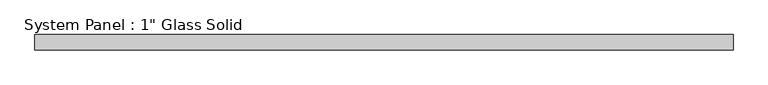
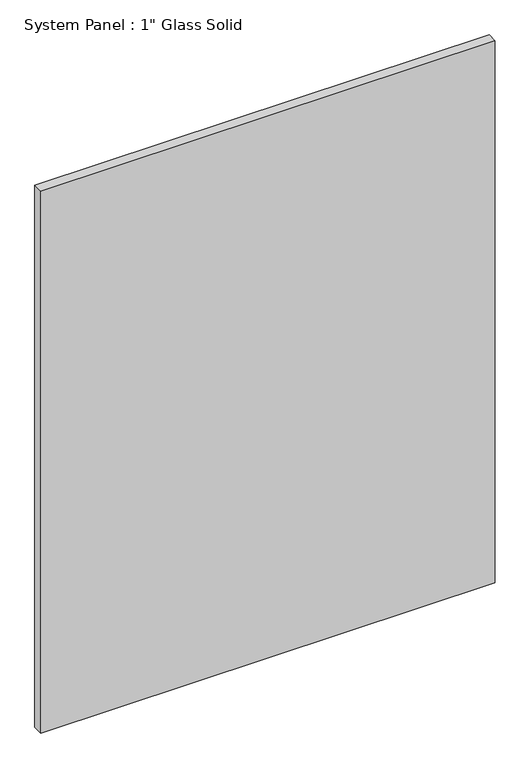
"""IFC4 building model written with IfcOpenShell, lengths in millimetres: plate geometry."""

from ifc_helpers import new_model, si_unit, origin, origin_with_axes, place, context, project, spatial, polyline, outline, extrude, source, transform, mapped, element, save


def plate_21166079(model_context):
    return source(origin(), model_context, "Body", "SweptSolid", [
        extrude(outline(polyline([(571.5008852, -12.7), (-571.5008852, -12.7), (-571.5008852, 12.7), (571.5008852, 12.7), (571.5008852, -12.7)])), origin_with_axes(), (0.0, 0.0, 1.0), 1440.1817704),
    ])


if __name__ == "__main__":
    model = new_model("IFC4")
    model_context = context("Model", 3, world=origin())
    ifc_project = project(units=[si_unit("LENGTHUNIT", "METRE", prefix="MILLI")], contexts=[model_context])
    site = spatial("IfcSite", under=ifc_project)
    building = spatial("IfcBuilding", under=site)
    placement = place(None, origin())
    plate_shape = plate_21166079(model_context)
    element("IfcPlate", 1, ObjectType="System Panel : 1\" Glass Solid", at=placement, inside=building, context=model_context, shape_type="MappedRepresentation", body=[
        mapped(plate_shape, transform((0.0, 0.0, 0.0), x_axis=(1.0, 0.0, 0.0), y_axis=(0.0, 1.0, 0.0), z_axis=(0.0, 0.0, 1.0))),
    ])
    save(model, "model.ifc")
